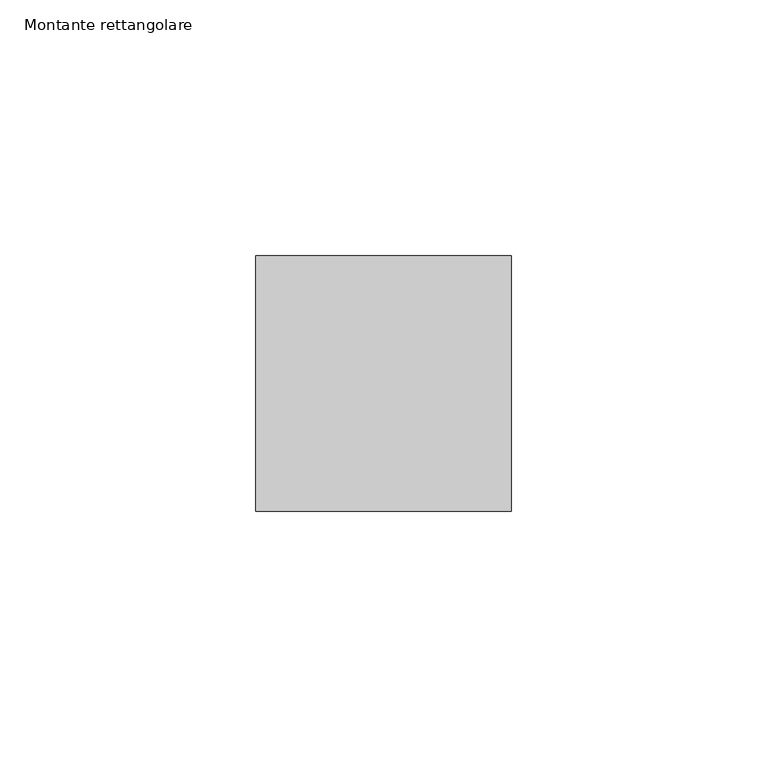
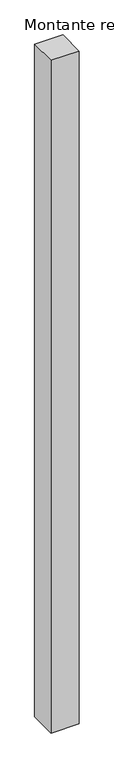
"""IFC4 building model written with IfcOpenShell, lengths in millimetres: member geometry, Montante rettangolare."""

from ifc_helpers import new_model, si_unit, frame, origin, place, context, project, spatial, polyline, outline, extrude, source, transform, mapped, element, save


def montante_rettangolare_f0c9a2bf(model_context):
    return source(origin(), model_context, "Body", "SweptSolid", [
        extrude(outline(polyline([(0.0, 25.0), (0.0, -25.0), (-50.0, -25.0), (-50.0, 25.0), (0.0, 25.0)])), frame((0.0, 0.0, -1259.9222802), z_axis=(0.0, 0.0, 1.0), x_axis=(1.0, 0.0, 0.0)), (0.0, 0.0, 1.0), 1259.9222802),
    ])


if __name__ == "__main__":
    model = new_model("IFC4")
    model_context = context("Model", 3, world=origin())
    ifc_project = project(units=[si_unit("LENGTHUNIT", "METRE", prefix="MILLI")], contexts=[model_context])
    site = spatial("IfcSite", under=ifc_project)
    building = spatial("IfcBuilding", under=site)
    placement = place(None, origin())
    montante_rettangolare_shape = montante_rettangolare_f0c9a2bf(model_context)
    element("IfcMember", 1, ObjectType="Montante rettangolare", at=placement, inside=building, context=model_context, shape_type="MappedRepresentation", body=[
        mapped(montante_rettangolare_shape, transform((0.0, 0.0, 0.0), x_axis=(1.0, 0.0, 0.0), y_axis=(0.0, 1.0, 0.0), z_axis=(0.0, 0.0, 1.0))),
    ])
    save(model, "model.ifc")
